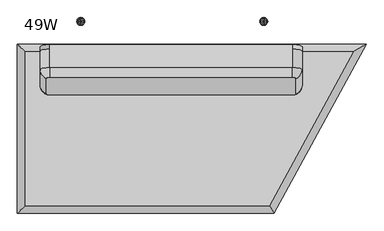
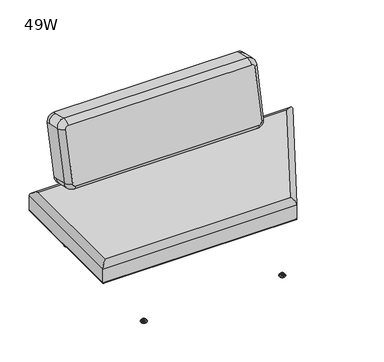
"""IFC4 building model written with IfcOpenShell, lengths in millimetres: furniture geometry, 49W."""

from ifc_helpers import new_model, si_unit, point, frame, origin, place, context, project, spatial, polyline, circle_curve, ellipse_curve, trimmed, outline, extrude, source, transform, mapped, element, save
from ifc_brep_helpers import plane_surface, cylinder_surface, revolved_surface, advanced_brep


def furniture_49w_bdb17a6c(model_context):
    return source(origin(), model_context, "Body", "SolidModel", [
        advanced_brep(
        [(116.7721752, -217.2921337, 767.8572736), (104.0721752, -220.1490121, 755.4827738), (104.0721752, -276.0967018, 513.1467057), (116.7721752, -278.9535802, 500.7722059), (992.8225, -278.9535802, 500.7722059), (1005.5225, -276.0967018, 513.1467057), (1005.5225, -220.1490121, 755.4827738), (992.8225, -217.2921337, 767.8572736), (116.7721752, -98.3553775, 763.566931), (992.8225, -98.3553775, 763.566931), (1028.0970673, -106.2904287, 729.1964486), (1028.0970673, -162.2381183, 486.8603805), (992.8225, -170.1731694, 452.4898981), (116.7721752, -170.1731694, 452.4898981), (81.4976079, -162.2381183, 486.8603805), (81.4976079, -106.2904287, 729.1964486), (116.7721752, -113.2061417, 766.9955001), (116.7721752, -179.8740623, 782.3870023), (992.8225, -179.8740623, 782.3870023), (992.8225, -113.2061417, 766.9955001), (1028.0970673, -121.1411928, 732.6250176), (1028.0970673, -187.8091134, 748.0165199), (1028.0970673, -243.7568031, 505.6804518), (1028.0970673, -177.0888824, 490.2889496), (992.8225, -185.0239336, 455.9184671), (992.8225, -251.6918542, 471.3099694), (116.7721752, -251.6918542, 471.3099694), (116.7721752, -185.0239336, 455.9184671), (81.4976079, -177.0888824, 490.2889496), (81.4976079, -243.7568031, 505.6804518), (81.4976079, -187.8091134, 748.0165199), (81.4976079, -121.1411928, 732.6250176)],
        [
            (0, 1, circle_curve(frame((116.7721752, -220.1490121, 755.4827738), z_axis=(0.0, -0.9743700647852357, 0.22495105434386325), x_axis=(0.0, 0.22495105434386325, 0.9743700647852357)), 12.7)),
            (1, 2),
            (2, 3, circle_curve(frame((116.7721752, -276.0967018, 513.1467057), z_axis=(0.0, -0.9743700647852357, 0.22495105434386325), x_axis=(-1.0000000000000002, 0.0, 0.0)), 12.7)),
            (3, 4),
            (4, 5, circle_curve(frame((992.8225, -276.0967018, 513.1467057), z_axis=(0.0, -0.9743700647852357, 0.22495105434386325), x_axis=(0.0, -0.22495105434386325, -0.9743700647852357)), 12.7)),
            (5, 6),
            (6, 7, circle_curve(frame((992.8225, -220.1490121, 755.4827738), z_axis=(0.0, -0.9743700647852357, 0.22495105434386325), x_axis=(1.0, 0.0, 0.0)), 12.7)),
            (7, 0),
            (8, 9),
            (9, 10, circle_curve(frame((992.8225, -106.2904287, 729.1964486), z_axis=(0.0, 0.9743700647852357, -0.22495105434386348), x_axis=(-1.0, 0.0, 0.0)), 35.2745673)),
            (10, 11),
            (11, 12, circle_curve(frame((992.8225, -162.2381183, 486.8603805), z_axis=(0.0, 0.9743700647852357, -0.22495105434386348), x_axis=(-1.0, 0.0, 0.0)), 35.2745673)),
            (12, 13),
            (13, 14, circle_curve(frame((116.7721752, -162.2381183, 486.8603805), z_axis=(0.0, 0.9743700647852356, -0.22495105434386348), x_axis=(-1.0, 0.0, 0.0)), 35.2745673)),
            (14, 15),
            (15, 8, circle_curve(frame((116.7721752, -106.2904287, 729.1964486), z_axis=(0.0, 0.9743700647852356, -0.22495105434386348), x_axis=(-1.0, 0.0, 0.0)), 35.2745673)),
            (8, 16),
            (16, 17),
            (17, 18),
            (18, 19),
            (19, 9),
            (19, 20, circle_curve(frame((992.8225, -121.1411928, 732.6250176), z_axis=(0.0, 0.9743700647852357, -0.22495105434386348), x_axis=(-1.0, 0.0, 0.0)), 35.2745673)),
            (20, 10),
            (20, 21),
            (21, 22),
            (22, 23),
            (23, 11),
            (23, 24, circle_curve(frame((992.8225, -177.0888824, 490.2889496), z_axis=(0.0, 0.9743700647852357, -0.22495105434386348), x_axis=(-1.0, 0.0, 0.0)), 35.2745673)),
            (24, 12),
            (24, 25),
            (25, 26),
            (26, 27),
            (27, 13),
            (27, 28, circle_curve(frame((116.7721752, -177.0888824, 490.2889496), z_axis=(0.0, 0.9743700647852356, -0.22495105434386348), x_axis=(-1.0, 0.0, 0.0)), 35.2745673)),
            (28, 14),
            (28, 29),
            (29, 30),
            (30, 31),
            (31, 15),
            (31, 16, circle_curve(frame((116.7721752, -121.1411928, 732.6250176), z_axis=(0.0, 0.9743700647852356, -0.22495105434386348), x_axis=(-1.0, 0.0, 0.0)), 35.2745673)),
            (30, 17, circle_curve(frame((116.7721752, -187.8091134, 748.0165199), z_axis=(0.0, 0.9743700647852357, -0.22495105434386325), x_axis=(0.0, 0.22495105434386325, 0.9743700647852357)), 35.2745673)),
            (26, 29, circle_curve(frame((116.7721752, -243.7568031, 505.6804518), z_axis=(0.0, 0.9743700647852357, -0.22495105434386325), x_axis=(-1.0000000000000002, 0.0, 0.0)), 35.2745673)),
            (22, 25, circle_curve(frame((992.8225, -243.7568031, 505.6804518), z_axis=(0.0, 0.9743700647852357, -0.22495105434386325), x_axis=(0.0, -0.22495105434386325, -0.9743700647852357)), 35.2745673)),
            (18, 21, circle_curve(frame((992.8225, -187.8091134, 748.0165199), z_axis=(0.0, 0.9743700647852357, -0.22495105434386325), x_axis=(1.0, 0.0, 0.0)), 35.2745673)),
            (30, 1, circle_curve(frame((117.1843403, -187.8091134, 748.0165199), z_axis=(0.0, 0.2249510543438633, 0.9743700647852357), x_axis=(1.0000000000000004, 0.0, 0.0)), 35.6867324)),
            (0, 17, circle_curve(frame((116.7721752, -187.9018304, 747.6149186), z_axis=(-1.0000000000000004, 0.0, 0.0), x_axis=(0.0, -0.22495105434386323, -0.9743700647852357)), 35.6867324)),
            (29, 2, circle_curve(frame((117.1843403, -243.7568031, 505.6804518), z_axis=(0.0, 0.22495105434386328, 0.9743700647852358), x_axis=(1.0, 0.0, 0.0)), 35.6867324)),
            (26, 3, circle_curve(frame((116.7721752, -243.6640861, 506.0820531), z_axis=(-1.0000000000000002, 0.0, 0.0), x_axis=(0.0, 0.22495105434386342, 0.9743700647852361)), 35.6867324)),
            (25, 4, circle_curve(frame((992.8225, -243.6640861, 506.0820531), z_axis=(-1.0, 0.0, 0.0), x_axis=(0.0, 0.22495105434386334, 0.9743700647852357)), 35.6867324)),
            (22, 5, circle_curve(frame((992.4103349, -243.7568031, 505.6804518), z_axis=(0.0, -0.22495105434386314, -0.9743700647852357), x_axis=(-1.0000000000000002, 0.0, 0.0)), 35.6867324)),
            (21, 6, circle_curve(frame((992.4103349, -187.8091134, 748.0165199), z_axis=(0.0, -0.2249510543438631, -0.9743700647852358), x_axis=(-1.0, 0.0, 0.0)), 35.6867324)),
            (18, 7, circle_curve(frame((992.8225, -187.9018304, 747.6149186), z_axis=(1.0, 0.0, 0.0), x_axis=(0.0, -0.22495105434386317, -0.9743700647852357)), 35.6867324)),
        ],
        [
            plane_surface(frame((992.8225, -217.2921337, 767.8572736), z_axis=(0.0, -0.9743700647852357, 0.22495105434386348), x_axis=(-1.0, 0.0, 0.0))),
            plane_surface(frame((992.8225, -98.3553775, 763.566931), z_axis=(0.0, 0.9743700647852357, -0.22495105434386348), x_axis=(1.0, 0.0, 0.0))),
            plane_surface(frame((116.7721752, -98.3553775, 763.566931), z_axis=(0.0, 0.22495105434386667, 0.9743700647852349), x_axis=(0.0, -0.9743700647852349, 0.22495105434386667))),
            cylinder_surface(frame((992.8225, -121.1411928, 732.6250176), z_axis=(0.0, 0.9743700647852357, -0.22495105434386348), x_axis=(-1.0, 0.0, 0.0)), 35.2745673),
            plane_surface(frame((1028.0970673, -106.2904287, 729.1964486), z_axis=(1.0, 0.0, 0.0), x_axis=(0.0, -0.9743700647852349, 0.22495105434386667))),
            cylinder_surface(frame((992.8225, -177.0888824, 490.2889496), z_axis=(0.0, 0.9743700647852357, -0.22495105434386348), x_axis=(-1.0, 0.0, 0.0)), 35.2745673),
            plane_surface(frame((992.8225, -170.1731694, 452.4898981), z_axis=(0.0, -0.2249510543438627, -0.9743700647852358), x_axis=(0.0, -0.9743700647852358, 0.2249510543438627))),
            cylinder_surface(frame((116.7721752, -177.0888824, 490.2889496), z_axis=(0.0, 0.9743700647852356, -0.22495105434386348), x_axis=(-1.0, 0.0, 0.0)), 35.2745673),
            plane_surface(frame((81.4976079, -162.2381183, 486.8603805), z_axis=(-1.0, 0.0, 0.0), x_axis=(0.0, -0.9743700647852359, 0.2249510543438622))),
            cylinder_surface(frame((116.7721752, -121.1411928, 732.6250176), z_axis=(0.0, 0.9743700647852356, -0.22495105434386348), x_axis=(-1.0, 0.0, 0.0)), 35.2745673),
            cylinder_surface(frame((116.7721752, -220.1490121, 755.4827738), z_axis=(0.0, -0.9743700647852359, 0.2249510543438633), x_axis=(0.0, 0.22495105434386325, 0.9743700647852357)), 35.2745673),
            cylinder_surface(frame((116.7721752, -276.0967018, 513.1467057), z_axis=(0.0, -0.9743700647852359, 0.2249510543438633), x_axis=(-1.0000000000000002, 0.0, 0.0)), 35.2745673),
            cylinder_surface(frame((992.8225, -276.0967018, 513.1467057), z_axis=(0.0, -0.9743700647852357, 0.22495105434386325), x_axis=(0.0, -0.22495105434386325, -0.9743700647852357)), 35.2745673),
            cylinder_surface(frame((992.8225, -220.1490121, 755.4827738), z_axis=(0.0, -0.9743700647852357, 0.22495105434386325), x_axis=(1.0, 0.0, 0.0)), 35.2745673),
            revolved_surface(trimmed(ellipse_curve(frame((116.7721752, -187.9018304, 747.6149186), z_axis=(1.0000000000000004, 0.0, 0.0), x_axis=(0.0, -0.22495105434386323, -0.9743700647852357)), 35.6867324, 35.6867324), [point((116.7721752, -179.8740623, 782.3870023))], [point((116.7721752, -217.2921337, 767.8572736))], True, "CARTESIAN"), (116.7721752, -220.1490121, 755.4827738), (0.0, -0.9743700647852359, 0.2249510543438633)),
            cylinder_surface(frame((117.1843403, -187.8091134, 748.0165199), z_axis=(0.0, 0.22495105434386323, 0.9743700647852356), x_axis=(1.0, 0.0, 0.0)), 35.6867324),
            revolved_surface(trimmed(ellipse_curve(frame((117.1843403, -243.7568031, 505.6804518), z_axis=(0.0, 0.22495105434386323, 0.9743700647852361), x_axis=(1.0000000000000002, 0.0, 0.0)), 35.6867324, 35.6867324), [point((81.4976079, -243.7568031, 505.6804518))], [point((104.0721752, -276.0967018, 513.1467057))], True, "CARTESIAN"), (116.7721752, -276.0967018, 513.1467057), (0.0, -0.9743700647852359, 0.2249510543438633)),
            cylinder_surface(frame((116.7721752, -243.6640861, 506.0820531), z_axis=(-1.0000000000000002, 0.0, 0.0), x_axis=(0.0, 0.22495105434386334, 0.9743700647852357)), 35.6867324),
            revolved_surface(trimmed(ellipse_curve(frame((992.8225, -243.6640861, 506.0820531), z_axis=(-1.0000000000000002, 0.0, 0.0), x_axis=(0.0, 0.22495105434386334, 0.9743700647852357)), 35.6867324, 35.6867324), [point((992.8225, -251.6918542, 471.3099694))], [point((992.8225, -278.9535802, 500.7722059))], True, "CARTESIAN"), (992.8225, -276.0967018, 513.1467057), (0.0, -0.9743700647852357, 0.22495105434386325)),
            cylinder_surface(frame((992.4103349, -243.7568031, 505.6804518), z_axis=(0.0, -0.2249510543438631, -0.9743700647852358), x_axis=(-1.0, 0.0, 0.0)), 35.6867324),
            revolved_surface(trimmed(ellipse_curve(frame((992.4103349, -187.8091134, 748.0165199), z_axis=(0.0, -0.22495105434386312, -0.9743700647852357), x_axis=(-1.0, 0.0, 0.0)), 35.6867324, 35.6867324), [point((1028.0970673, -187.8091134, 748.0165199))], [point((1005.5225, -220.1490121, 755.4827738))], True, "CARTESIAN"), (992.8225, -220.1490121, 755.4827738), (0.0, -0.9743700647852357, 0.22495105434386325)),
            cylinder_surface(frame((992.8225, -187.9018304, 747.6149186), z_axis=(1.0000000000000002, 0.0, 0.0), x_axis=(0.0, -0.22495105434386317, -0.9743700647852357)), 35.6867324),
        ],
        [
            (0, [[1, 2, 3, 4, 5, 6, 7, 8]]),
            (1, [[9, 10, 11, 12, 13, 14, 15, 16]]),
            (2, [[-9, 17, 18, 19, 20, 21]]),
            (3, [[-10, -21, 22, 23]]),
            (4, [[-11, -23, 24, 25, 26, 27]]),
            (5, [[-12, -27, 28, 29]]),
            (6, [[-13, -29, 30, 31, 32, 33]]),
            (7, [[-14, -33, 34, 35]]),
            (8, [[-15, -35, 36, 37, 38, 39]]),
            (9, [[-16, -39, 40, -17]]),
            (10, [[41, -18, -40, -38]]),
            (11, [[-36, -34, -32, 42]]),
            (12, [[-30, -28, -26, 43]]),
            (13, [[-24, -22, -20, 44]]),
            (14, [[-41, 45, -1, 46]]),
            (15, [[-37, 47, -2, -45]]),
            (16, [[-42, 48, -3, -47]]),
            (17, [[-31, 49, -4, -48]]),
            (18, [[-43, 50, -5, -49]]),
            (19, [[-25, 51, -6, -50]]),
            (20, [[-44, 52, -7, -51]]),
            (21, [[-19, -46, -8, -52]]),
        ],
    ),
        advanced_brep(
        [(27.2635975, -123.7984512, 405.8895176), (27.2635975, -678.8688097, 405.8895176), (910.1596882, -678.8688097, 405.8895176), (1212.6876051, -123.7984512, 405.8895176), (6.3491764, -699.7832308, 304.2919641), (6.3491764, -102.8840302, 304.2919641), (1247.9055843, -102.8840302, 304.2919641), (922.5798503, -699.7832308, 304.2919641), (-0.0008236, -96.5340302, 310.6419641), (-0.0008236, -706.1332308, 310.6419641), (-0.0008236, -706.1332308, 379.4503267), (-0.0008236, -96.5340302, 379.4503267), (926.3508382, -706.1332308, 310.6419641), (926.3508382, -706.1332308, 379.4503267), (1258.5984056, -96.5340302, 310.6419641), (1258.5984056, -96.5340302, 379.4503267)],
        [
            (0, 1),
            (1, 2),
            (2, 3),
            (3, 0),
            (4, 5),
            (5, 6),
            (6, 7),
            (7, 4),
            (8, 5, ellipse_curve(frame((6.3491764, -102.8840302, 310.6419641), z_axis=(-0.7071067811865485, -0.7071067811865465, 0.0), x_axis=(-0.7071067811865464, 0.7071067811865487, 0.0)), 8.9802561, 6.35)),
            (4, 9, ellipse_curve(frame((6.3491764, -699.7832308, 310.6419641), z_axis=(-0.7071067811865466, 0.7071067811865485, 0.0), x_axis=(0.7071067811865483, 0.7071067811865466, 0.0)), 8.9802561, 6.35)),
            (9, 8),
            (9, 10),
            (10, 11),
            (11, 8),
            (10, 1, ellipse_curve(frame((26.4508562, -679.681551, 379.4503267), z_axis=(-0.7071067811865466, 0.7071067811865485, 0.0), x_axis=(0.7071067811865483, 0.7071067811865466, 0.0)), 37.4083243, 26.4516798)),
            (0, 11, ellipse_curve(frame((26.4508562, -122.98571, 379.4503267), z_axis=(-0.7071067811865485, -0.7071067811865465, 0.0), x_axis=(-0.7071067811865464, 0.7071067811865487, 0.0)), 37.4083243, 26.4516798)),
            (7, 12, ellipse_curve(frame((922.5798503, -699.7832308, 310.6419641), z_axis=(-0.859814593718969, -0.5106063693569485, 0.0), x_axis=(-0.5106063693569483, 0.8598145937189691, 0.0)), 7.3853131, 6.35)),
            (12, 9),
            (12, 13),
            (13, 10),
            (13, 2, ellipse_curve(frame((910.6423398, -679.681551, 379.4503267), z_axis=(-0.859814593718969, -0.5106063693569485, 0.0), x_axis=(-0.5106063693569483, 0.8598145937189691, 0.0)), 30.7643997, 26.4516798)),
            (6, 14, ellipse_curve(frame((1247.9055843, -102.8840302, 310.6419641), z_axis=(0.5106063693569484, -0.859814593718969, 0.0), x_axis=(-0.859814593718969, -0.5106063693569484, 0.0)), 12.4361943, 6.35)),
            (14, 12),
            (14, 15),
            (15, 13),
            (15, 3, ellipse_curve(frame((1214.0561873, -122.98571, 379.4503267), z_axis=(0.5106063693569484, -0.859814593718969, 0.0), x_axis=(-0.859814593718969, -0.5106063693569484, 0.0)), 51.8044455, 26.4516798)),
            (8, 14),
            (11, 15),
        ],
        [
            plane_surface(frame((910.1596882, -678.8688097, 405.8895176), z_axis=(0.0, 0.0, 1.0), x_axis=(1.0, 0.0, 0.0))),
            plane_surface(frame((910.1596882, -678.8688097, 304.2919641), z_axis=(0.0, 0.0, -1.0), x_axis=(-1.0, 0.0, 0.0))),
            cylinder_surface(frame((6.3491764, -123.7984512, 310.6419641), z_axis=(0.0, 1.0, 0.0), x_axis=(1.0, 0.0, 0.0)), 6.35),
            plane_surface(frame((-0.0008236, -96.5340302, 310.6419641), z_axis=(-1.0, 0.0, 0.0), x_axis=(0.0, -1.0, 0.0))),
            cylinder_surface(frame((26.4508562, -123.7984512, 379.4503267), z_axis=(0.0, 1.0, 0.0), x_axis=(1.0, 0.0, 0.0)), 26.4516798),
            cylinder_surface(frame((27.2635975, -699.7832308, 310.6419641), z_axis=(-1.0, 0.0, 0.0), x_axis=(0.0, 1.0, 0.0)), 6.35),
            plane_surface(frame((-0.0008236, -706.1332308, 310.6419641), z_axis=(0.0, -1.0, 0.0), x_axis=(1.0, 0.0, 0.0))),
            cylinder_surface(frame((27.2635975, -679.681551, 379.4503267), z_axis=(-1.0, 0.0, 0.0), x_axis=(0.0, 1.0, 0.0)), 26.4516798),
            cylinder_surface(frame((928.5236713, -688.8776626, 310.6419641), z_axis=(-0.47856227114423067, -0.8780536160379251, 0.0), x_axis=(-0.8780536160379251, 0.47856227114423067, 0.0)), 6.35),
            plane_surface(frame((926.3508382, -706.1332308, 310.6419641), z_axis=(0.8780536160379253, -0.47856227114423017, 0.0), x_axis=(0.47856227114423017, 0.8780536160379253, 0.0))),
            cylinder_surface(frame((910.8733186, -679.257757, 379.4503267), z_axis=(-0.47856227114423067, -0.8780536160379251, 0.0), x_axis=(-0.8780536160379251, 0.47856227114423067, 0.0)), 26.4516798),
            cylinder_surface(frame((1212.6876051, -102.8840302, 310.6419641), z_axis=(1.0, 0.0, 0.0), x_axis=(0.0, -1.0, 0.0)), 6.35),
            plane_surface(frame((1258.5984056, -96.5340302, 310.6419641), z_axis=(0.0, 1.0, 0.0), x_axis=(-1.0, 0.0, 0.0))),
            cylinder_surface(frame((1212.6876051, -122.98571, 379.4503267), z_axis=(1.0, 0.0, 0.0), x_axis=(0.0, -1.0, 0.0)), 26.4516798),
        ],
        [
            (0, [[1, 2, 3, 4]]),
            (1, [[5, 6, 7, 8]]),
            (2, [[9, -5, 10, 11]]),
            (3, [[-11, 12, 13, 14]]),
            (4, [[-13, 15, -1, 16]]),
            (5, [[-10, -8, 17, 18]]),
            (6, [[-12, -18, 19, 20]]),
            (7, [[-15, -20, 21, -2]]),
            (8, [[-17, -7, 22, 23]]),
            (9, [[-19, -23, 24, 25]]),
            (10, [[-21, -25, 26, -3]]),
            (11, [[-9, 27, -22, -6]]),
            (12, [[-14, 28, -24, -27]]),
            (13, [[-16, -4, -26, -28]]),
        ],
    ),
        advanced_brep(
        [(889.0, -645.9431587, 14.8752118), (889.0, -652.5665699, 14.8752118), (889.0, -649.2548643, 14.8752118), (889.0, -645.3562211, 13.858606), (889.0, -653.1535076, 13.858606), (889.0, -641.3242474, 11.2402116), (889.0, -657.1854813, 11.2402116), (889.0, -641.3242474, 8.74896), (889.0, -657.1854813, 8.74896), (889.0, -642.9059165, 8.74896), (889.0, -655.6038121, 8.74896), (889.0, -638.0462975, 5.9432577), (889.0, -660.4634312, 5.9432577), (889.0, -634.8556417, 3.5556814), (889.0, -663.6540869, 3.5556814), (889.0, -636.908533, 0.0), (889.0, -661.6011957, 0.0), (889.0, -649.2548643, 0.0)],
        [
            (0, 1, circle_curve(frame((889.0, -649.2548643, 14.8752118), z_axis=(0.0, 0.0, 1.0), x_axis=(0.0, -1.0, 0.0)), 3.3117056)),
            (1, 2),
            (2, 0),
            (1, 0, circle_curve(frame((889.0, -649.2548643, 14.8752118), z_axis=(0.0, 0.0, 1.0), x_axis=(0.0, -1.0, 0.0)), 3.3117056)),
            (3, 4, circle_curve(frame((889.0, -649.2548643, 13.858606), z_axis=(0.0, 0.0, 1.0), x_axis=(0.0, -1.0, 0.0)), 3.8986433)),
            (4, 1),
            (0, 3),
            (4, 3, circle_curve(frame((889.0, -649.2548643, 13.858606), z_axis=(0.0, 0.0, 1.0), x_axis=(0.0, -1.0, 0.0)), 3.8986433)),
            (5, 6, circle_curve(frame((889.0, -649.2548643, 11.2402116), z_axis=(0.0, 0.0, 1.0), x_axis=(0.0, -1.0, 0.0)), 7.930617)),
            (6, 4),
            (3, 5),
            (6, 5, circle_curve(frame((889.0, -649.2548643, 11.2402116), z_axis=(0.0, 0.0, 1.0), x_axis=(0.0, -1.0, 0.0)), 7.930617)),
            (7, 8, circle_curve(frame((889.0, -649.2548643, 8.74896), z_axis=(0.0, 0.0, 1.0), x_axis=(0.0, -1.0, 0.0)), 7.930617)),
            (8, 6),
            (5, 7),
            (8, 7, circle_curve(frame((889.0, -649.2548643, 8.74896), z_axis=(0.0, 0.0, 1.0), x_axis=(0.0, -1.0, 0.0)), 7.930617)),
            (9, 10, circle_curve(frame((889.0, -649.2548643, 8.74896), z_axis=(0.0, 0.0, 1.0), x_axis=(0.0, -1.0, 0.0)), 6.3489478)),
            (10, 8),
            (7, 9),
            (10, 9, circle_curve(frame((889.0, -649.2548643, 8.74896), z_axis=(0.0, 0.0, 1.0), x_axis=(0.0, -1.0, 0.0)), 6.3489478)),
            (11, 12, circle_curve(frame((889.0, -649.2548643, 5.9432577), z_axis=(0.0, 0.0, 1.0), x_axis=(0.0, -1.0, 0.0)), 11.2085669)),
            (12, 10, circle_curve(frame((889.0, -660.1160571, 10.9529929), z_axis=(1.0, 0.0, 0.0), x_axis=(0.0, -1.0, 0.0)), 5.0217642)),
            (9, 11, circle_curve(frame((889.0, -638.3936715, 10.9529929), z_axis=(1.0, 0.0, 0.0), x_axis=(0.0, 1.0, 0.0)), 5.0217642)),
            (12, 11, circle_curve(frame((889.0, -649.2548643, 5.9432577), z_axis=(0.0, 0.0, 1.0), x_axis=(0.0, -1.0, 0.0)), 11.2085669)),
            (13, 14, circle_curve(frame((889.0, -649.2548643, 3.5556814), z_axis=(0.0, 0.0, 1.0), x_axis=(0.0, -1.0, 0.0)), 14.3992226)),
            (14, 12, circle_curve(frame((889.0, -660.6744794, 2.8995769), z_axis=(-1.0, 0.0, 0.0), x_axis=(0.0, -1.0, 0.0)), 3.050989)),
            (11, 13, circle_curve(frame((889.0, -637.8352492, 2.8995769), z_axis=(-1.0, 0.0, 0.0), x_axis=(0.0, 1.0, 0.0)), 3.050989)),
            (14, 13, circle_curve(frame((889.0, -649.2548643, 3.5556814), z_axis=(0.0, 0.0, 1.0), x_axis=(0.0, -1.0, 0.0)), 14.3992226)),
            (15, 16, circle_curve(frame((889.0, -649.2548643, 0.0), z_axis=(0.0, 0.0, 1.0), x_axis=(0.0, -1.0, 0.0)), 12.3463313)),
            (16, 14),
            (13, 15),
            (16, 15, circle_curve(frame((889.0, -649.2548643, 0.0), z_axis=(0.0, 0.0, 1.0), x_axis=(0.0, -1.0, 0.0)), 12.3463313)),
            (17, 16),
            (15, 17),
        ],
        [
            plane_surface(frame((889.0, -649.2548643, 14.8752118), z_axis=(0.0, 0.0, 1.0), x_axis=(0.0, -1.0, 0.0))),
            revolved_surface(polyline([(889.0, -652.5665699, 14.8752118), (889.0, -653.1535076, 13.858606)]), (889.0, -649.2548643, 0.0), (0.0, 0.0, -1.0)),
            revolved_surface(polyline([(889.0, -653.1535076, 13.858606), (889.0, -657.1854813, 11.2402116)]), (889.0, -649.2548643, 0.0), (0.0, 0.0, -1.0)),
            cylinder_surface(frame((889.0, -649.2548643, 0.0), z_axis=(0.0, 0.0, -1.0), x_axis=(0.0, -1.0, 0.0)), 7.930617),
            plane_surface(frame((889.0, -649.2548643, 8.74896), z_axis=(0.0, 0.0, -1.0), x_axis=(0.0, -1.0, 0.0))),
            revolved_surface(trimmed(ellipse_curve(frame((889.0, -660.1160571, 10.9529929), z_axis=(-1.0, 0.0, 0.0), x_axis=(0.0, -1.0, 0.0)), 5.0217642, 5.0217642), [point((889.0, -655.6038121, 8.74896))], [point((889.0, -660.4634312, 5.9432577))], True, "CARTESIAN"), (889.0, -649.2548643, 0.0), (0.0, 0.0, -1.0)),
            revolved_surface(trimmed(ellipse_curve(frame((889.0, -660.6744794, 2.8995769), z_axis=(1.0, 0.0, 0.0), x_axis=(0.0, -1.0, 0.0)), 3.050989, 3.050989), [point((889.0, -660.4634312, 5.9432577))], [point((889.0, -663.6540869, 3.5556814))], True, "CARTESIAN"), (889.0, -649.2548643, 0.0), (0.0, 0.0, -1.0)),
            revolved_surface(polyline([(889.0, -663.6540869, 3.5556814), (889.0, -661.6011957, 0.0)]), (889.0, -649.2548643, 0.0), (0.0, 0.0, -1.0)),
            plane_surface(frame((889.0, -649.2548643, 0.0), z_axis=(0.0, 0.0, -1.0), x_axis=(0.0, -1.0, 0.0))),
        ],
        [
            (0, [[1, 2, 3]]),
            (0, [[4, -3, -2]]),
            (1, [[5, 6, -1, 7]]),
            (1, [[8, -7, -4, -6]]),
            (2, [[9, 10, -5, 11]]),
            (2, [[12, -11, -8, -10]]),
            (3, [[13, 14, -9, 15]]),
            (3, [[16, -15, -12, -14]]),
            (4, [[17, 18, -13, 19]]),
            (4, [[20, -19, -16, -18]]),
            (5, [[21, 22, -17, 23]]),
            (5, [[24, -23, -20, -22]]),
            (6, [[25, 26, -21, 27]]),
            (6, [[28, -27, -24, -26]]),
            (7, [[29, 30, -25, 31]]),
            (7, [[32, -31, -28, -30]]),
            (8, [[33, -29, 34]]),
            (8, [[-34, -32, -33]]),
        ],
    ),
        advanced_brep(
        [(889.0, -14.3992226, 14.8752118), (889.0, -11.087517, 14.8752118), (889.0, -17.7109282, 14.8752118), (889.0, -10.5005793, 13.858606), (889.0, -18.2978659, 13.858606), (889.0, -6.4686056, 11.2402116), (889.0, -22.3298395, 11.2402116), (889.0, -6.4686056, 8.74896), (889.0, -22.3298395, 8.74896), (889.0, -8.0502748, 8.74896), (889.0, -20.7481704, 8.74896), (889.0, -3.1906557, 5.9432577), (889.0, -25.6077895, 5.9432577), (889.0, 0.0, 3.5556814), (889.0, -28.7984452, 3.5556814), (889.0, -2.0528912, 0.0), (889.0, -26.7455539, 0.0), (889.0, -14.3992226, 0.0)],
        [
            (0, 1),
            (1, 2, circle_curve(frame((889.0, -14.3992226, 14.8752118), z_axis=(0.0, 0.0, 1.0), x_axis=(0.0, 1.0, 0.0)), 3.3117056)),
            (2, 0),
            (2, 1, circle_curve(frame((889.0, -14.3992226, 14.8752118), z_axis=(0.0, 0.0, 1.0), x_axis=(0.0, 1.0, 0.0)), 3.3117056)),
            (1, 3),
            (3, 4, circle_curve(frame((889.0, -14.3992226, 13.858606), z_axis=(0.0, 0.0, 1.0), x_axis=(0.0, 1.0, 0.0)), 3.8986433)),
            (4, 2),
            (4, 3, circle_curve(frame((889.0, -14.3992226, 13.858606), z_axis=(0.0, 0.0, 1.0), x_axis=(0.0, 1.0, 0.0)), 3.8986433)),
            (3, 5),
            (5, 6, circle_curve(frame((889.0, -14.3992226, 11.2402116), z_axis=(0.0, 0.0, 1.0), x_axis=(0.0, 1.0, 0.0)), 7.930617)),
            (6, 4),
            (6, 5, circle_curve(frame((889.0, -14.3992226, 11.2402116), z_axis=(0.0, 0.0, 1.0), x_axis=(0.0, 1.0, 0.0)), 7.930617)),
            (5, 7),
            (7, 8, circle_curve(frame((889.0, -14.3992226, 8.74896), z_axis=(0.0, 0.0, 1.0), x_axis=(0.0, 1.0, 0.0)), 7.930617)),
            (8, 6),
            (8, 7, circle_curve(frame((889.0, -14.3992226, 8.74896), z_axis=(0.0, 0.0, 1.0), x_axis=(0.0, 1.0, 0.0)), 7.930617)),
            (7, 9),
            (9, 10, circle_curve(frame((889.0, -14.3992226, 8.74896), z_axis=(0.0, 0.0, 1.0), x_axis=(0.0, 1.0, 0.0)), 6.3489478)),
            (10, 8),
            (10, 9, circle_curve(frame((889.0, -14.3992226, 8.74896), z_axis=(0.0, 0.0, 1.0), x_axis=(0.0, 1.0, 0.0)), 6.3489478)),
            (9, 11, circle_curve(frame((889.0, -3.5380298, 10.9529929), z_axis=(1.0, 0.0, 0.0), x_axis=(0.0, -1.0, 0.0)), 5.0217642)),
            (11, 12, circle_curve(frame((889.0, -14.3992226, 5.9432577), z_axis=(0.0, 0.0, 1.0), x_axis=(0.0, 1.0, 0.0)), 11.2085669)),
            (12, 10, circle_curve(frame((889.0, -25.2604154, 10.9529929), z_axis=(1.0, 0.0, 0.0), x_axis=(0.0, 1.0, 0.0)), 5.0217642)),
            (12, 11, circle_curve(frame((889.0, -14.3992226, 5.9432577), z_axis=(0.0, 0.0, 1.0), x_axis=(0.0, 1.0, 0.0)), 11.2085669)),
            (11, 13, circle_curve(frame((889.0, -2.9796075, 2.8995769), z_axis=(-1.0, 0.0, 0.0), x_axis=(0.0, -1.0, 0.0)), 3.050989)),
            (13, 14, circle_curve(frame((889.0, -14.3992226, 3.5556814), z_axis=(0.0, 0.0, 1.0), x_axis=(0.0, 1.0, 0.0)), 14.3992226)),
            (14, 12, circle_curve(frame((889.0, -25.8188377, 2.8995769), z_axis=(-1.0, 0.0, 0.0), x_axis=(0.0, 1.0, 0.0)), 3.050989)),
            (14, 13, circle_curve(frame((889.0, -14.3992226, 3.5556814), z_axis=(0.0, 0.0, 1.0), x_axis=(0.0, 1.0, 0.0)), 14.3992226)),
            (13, 15),
            (15, 16, circle_curve(frame((889.0, -14.3992226, 0.0), z_axis=(0.0, 0.0, 1.0), x_axis=(0.0, 1.0, 0.0)), 12.3463313)),
            (16, 14),
            (16, 15, circle_curve(frame((889.0, -14.3992226, 0.0), z_axis=(0.0, 0.0, 1.0), x_axis=(0.0, 1.0, 0.0)), 12.3463313)),
            (15, 17),
            (17, 16),
        ],
        [
            plane_surface(frame((889.0, -14.3992226, 14.8752118), z_axis=(0.0, 0.0, 1.0), x_axis=(0.0, 1.0, 0.0))),
            revolved_surface(polyline([(889.0, -10.5005793, 13.858606), (889.0, -11.087517, 14.8752118)]), (889.0, -14.3992226, 0.0), (0.0, 0.0, 1.0)),
            revolved_surface(polyline([(889.0, -6.4686056, 11.2402116), (889.0, -10.5005793, 13.858606)]), (889.0, -14.3992226, 0.0), (0.0, 0.0, 1.0)),
            cylinder_surface(frame((889.0, -14.3992226, 0.0), z_axis=(0.0, 0.0, 1.0), x_axis=(0.0, 1.0, 0.0)), 7.930617),
            plane_surface(frame((889.0, -14.3992226, 8.74896), z_axis=(0.0, 0.0, -1.0), x_axis=(0.0, 1.0, 0.0))),
            revolved_surface(trimmed(ellipse_curve(frame((889.0, -3.5380298, 10.9529929), z_axis=(-1.0, 0.0, 0.0), x_axis=(0.0, -1.0, 0.0)), 5.0217642, 5.0217642), [point((889.0, -3.1906557, 5.9432577))], [point((889.0, -8.0502748, 8.74896))], True, "CARTESIAN"), (889.0, -14.3992226, 0.0), (0.0, 0.0, 1.0)),
            revolved_surface(trimmed(ellipse_curve(frame((889.0, -2.9796075, 2.8995769), z_axis=(1.0, 0.0, 0.0), x_axis=(0.0, -1.0, 0.0)), 3.050989, 3.050989), [point((889.0, 0.0, 3.5556814))], [point((889.0, -3.1906557, 5.9432577))], True, "CARTESIAN"), (889.0, -14.3992226, 0.0), (0.0, 0.0, 1.0)),
            revolved_surface(polyline([(889.0, -2.0528912, 0.0), (889.0, 0.0, 3.5556814)]), (889.0, -14.3992226, 0.0), (0.0, 0.0, 1.0)),
            plane_surface(frame((889.0, -14.3992226, 0.0), z_axis=(0.0, 0.0, -1.0), x_axis=(0.0, 1.0, 0.0))),
        ],
        [
            (0, [[1, 2, 3]]),
            (0, [[-3, 4, -1]]),
            (1, [[-2, 5, 6, 7]]),
            (1, [[-4, -7, 8, -5]]),
            (2, [[-6, 9, 10, 11]]),
            (2, [[-8, -11, 12, -9]]),
            (3, [[-10, 13, 14, 15]]),
            (3, [[-12, -15, 16, -13]]),
            (4, [[-14, 17, 18, 19]]),
            (4, [[-16, -19, 20, -17]]),
            (5, [[-18, 21, 22, 23]]),
            (5, [[-20, -23, 24, -21]]),
            (6, [[-22, 25, 26, 27]]),
            (6, [[-24, -27, 28, -25]]),
            (7, [[-26, 29, 30, 31]]),
            (7, [[-28, -31, 32, -29]]),
            (8, [[-30, 33, 34]]),
            (8, [[-32, -34, -33]]),
        ],
    ),
        advanced_brep(
        [(228.6, -649.2548643, 14.8752118), (228.6, -652.5665699, 14.8752118), (228.6, -645.9431587, 14.8752118), (228.6, -653.1535076, 13.858606), (228.6, -645.3562211, 13.858606), (228.6, -657.1854813, 11.2402116), (228.6, -641.3242474, 11.2402116), (228.6, -657.1854813, 8.74896), (228.6, -641.3242474, 8.74896), (228.6, -655.6038121, 8.74896), (228.6, -642.9059165, 8.74896), (228.6, -660.4634312, 5.9432577), (228.6, -638.0462975, 5.9432577), (228.6, -663.6540869, 3.5556814), (228.6, -634.8556417, 3.5556814), (228.6, -661.6011957, 0.0), (228.6, -636.908533, 0.0), (228.6, -649.2548643, 0.0)],
        [
            (0, 1),
            (1, 2, circle_curve(frame((228.6, -649.2548643, 14.8752118), z_axis=(0.0, 0.0, 1.0), x_axis=(0.0, -1.0, 0.0)), 3.3117056)),
            (2, 0),
            (2, 1, circle_curve(frame((228.6, -649.2548643, 14.8752118), z_axis=(0.0, 0.0, 1.0), x_axis=(0.0, -1.0, 0.0)), 3.3117056)),
            (1, 3),
            (3, 4, circle_curve(frame((228.6, -649.2548643, 13.858606), z_axis=(0.0, 0.0, 1.0), x_axis=(0.0, -1.0, 0.0)), 3.8986433)),
            (4, 2),
            (4, 3, circle_curve(frame((228.6, -649.2548643, 13.858606), z_axis=(0.0, 0.0, 1.0), x_axis=(0.0, -1.0, 0.0)), 3.8986433)),
            (3, 5),
            (5, 6, circle_curve(frame((228.6, -649.2548643, 11.2402116), z_axis=(0.0, 0.0, 1.0), x_axis=(0.0, -1.0, 0.0)), 7.930617)),
            (6, 4),
            (6, 5, circle_curve(frame((228.6, -649.2548643, 11.2402116), z_axis=(0.0, 0.0, 1.0), x_axis=(0.0, -1.0, 0.0)), 7.930617)),
            (5, 7),
            (7, 8, circle_curve(frame((228.6, -649.2548643, 8.74896), z_axis=(0.0, 0.0, 1.0), x_axis=(0.0, -1.0, 0.0)), 7.930617)),
            (8, 6),
            (8, 7, circle_curve(frame((228.6, -649.2548643, 8.74896), z_axis=(0.0, 0.0, 1.0), x_axis=(0.0, -1.0, 0.0)), 7.930617)),
            (7, 9),
            (9, 10, circle_curve(frame((228.6, -649.2548643, 8.74896), z_axis=(0.0, 0.0, 1.0), x_axis=(0.0, -1.0, 0.0)), 6.3489478)),
            (10, 8),
            (10, 9, circle_curve(frame((228.6, -649.2548643, 8.74896), z_axis=(0.0, 0.0, 1.0), x_axis=(0.0, -1.0, 0.0)), 6.3489478)),
            (9, 11, circle_curve(frame((228.6, -660.1160571, 10.9529929), z_axis=(-1.0, 0.0, 0.0), x_axis=(0.0, 1.0, 0.0)), 5.0217642)),
            (11, 12, circle_curve(frame((228.6, -649.2548643, 5.9432577), z_axis=(0.0, 0.0, 1.0), x_axis=(0.0, -1.0, 0.0)), 11.2085669)),
            (12, 10, circle_curve(frame((228.6, -638.3936715, 10.9529929), z_axis=(-1.0, 0.0, 0.0), x_axis=(0.0, -1.0, 0.0)), 5.0217642)),
            (12, 11, circle_curve(frame((228.6, -649.2548643, 5.9432577), z_axis=(0.0, 0.0, 1.0), x_axis=(0.0, -1.0, 0.0)), 11.2085669)),
            (11, 13, circle_curve(frame((228.6, -660.6744794, 2.8995769), z_axis=(1.0, 0.0, 0.0), x_axis=(0.0, 1.0, 0.0)), 3.050989)),
            (13, 14, circle_curve(frame((228.6, -649.2548643, 3.5556814), z_axis=(0.0, 0.0, 1.0), x_axis=(0.0, -1.0, 0.0)), 14.3992226)),
            (14, 12, circle_curve(frame((228.6, -637.8352492, 2.8995769), z_axis=(1.0, 0.0, 0.0), x_axis=(0.0, -1.0, 0.0)), 3.050989)),
            (14, 13, circle_curve(frame((228.6, -649.2548643, 3.5556814), z_axis=(0.0, 0.0, 1.0), x_axis=(0.0, -1.0, 0.0)), 14.3992226)),
            (13, 15),
            (15, 16, circle_curve(frame((228.6, -649.2548643, 0.0), z_axis=(0.0, 0.0, 1.0), x_axis=(0.0, -1.0, 0.0)), 12.3463313)),
            (16, 14),
            (16, 15, circle_curve(frame((228.6, -649.2548643, 0.0), z_axis=(0.0, 0.0, 1.0), x_axis=(0.0, -1.0, 0.0)), 12.3463313)),
            (15, 17),
            (17, 16),
        ],
        [
            plane_surface(frame((228.6, -649.2548643, 14.8752118), z_axis=(0.0, 0.0, 1.0), x_axis=(0.0, -1.0, 0.0))),
            revolved_surface(polyline([(228.6, -653.1535076, 13.858606), (228.6, -652.5665699, 14.8752118)]), (228.6, -649.2548643, 0.0), (0.0, 0.0, 1.0)),
            revolved_surface(polyline([(228.6, -657.1854813, 11.2402116), (228.6, -653.1535076, 13.858606)]), (228.6, -649.2548643, 0.0), (0.0, 0.0, 1.0)),
            cylinder_surface(frame((228.6, -649.2548643, 0.0), z_axis=(0.0, 0.0, 1.0), x_axis=(0.0, -1.0, 0.0)), 7.930617),
            plane_surface(frame((228.6, -649.2548643, 8.74896), z_axis=(0.0, 0.0, -1.0), x_axis=(0.0, -1.0, 0.0))),
            revolved_surface(trimmed(ellipse_curve(frame((228.6, -660.1160571, 10.9529929), z_axis=(1.0, 0.0, 0.0), x_axis=(0.0, 1.0, 0.0)), 5.0217642, 5.0217642), [point((228.6, -660.4634312, 5.9432577))], [point((228.6, -655.6038121, 8.74896))], True, "CARTESIAN"), (228.6, -649.2548643, 0.0), (0.0, 0.0, 1.0)),
            revolved_surface(trimmed(ellipse_curve(frame((228.6, -660.6744794, 2.8995769), z_axis=(-1.0, 0.0, 0.0), x_axis=(0.0, 1.0, 0.0)), 3.050989, 3.050989), [point((228.6, -663.6540869, 3.5556814))], [point((228.6, -660.4634312, 5.9432577))], True, "CARTESIAN"), (228.6, -649.2548643, 0.0), (0.0, 0.0, 1.0)),
            revolved_surface(polyline([(228.6, -661.6011957, 0.0), (228.6, -663.6540869, 3.5556814)]), (228.6, -649.2548643, 0.0), (0.0, 0.0, 1.0)),
            plane_surface(frame((228.6, -649.2548643, 0.0), z_axis=(0.0, 0.0, -1.0), x_axis=(0.0, -1.0, 0.0))),
        ],
        [
            (0, [[1, 2, 3]]),
            (0, [[-3, 4, -1]]),
            (1, [[-2, 5, 6, 7]]),
            (1, [[-4, -7, 8, -5]]),
            (2, [[-6, 9, 10, 11]]),
            (2, [[-8, -11, 12, -9]]),
            (3, [[-10, 13, 14, 15]]),
            (3, [[-12, -15, 16, -13]]),
            (4, [[-14, 17, 18, 19]]),
            (4, [[-16, -19, 20, -17]]),
            (5, [[-18, 21, 22, 23]]),
            (5, [[-20, -23, 24, -21]]),
            (6, [[-22, 25, 26, 27]]),
            (6, [[-24, -27, 28, -25]]),
            (7, [[-26, 29, 30, 31]]),
            (7, [[-28, -31, 32, -29]]),
            (8, [[-30, 33, 34]]),
            (8, [[-32, -34, -33]]),
        ],
    ),
        advanced_brep(
        [(228.6, -17.7109282, 14.8752118), (228.6, -11.087517, 14.8752118), (228.6, -14.3992226, 14.8752118), (228.6, -18.2978659, 13.858606), (228.6, -10.5005793, 13.858606), (228.6, -22.3298395, 11.2402116), (228.6, -6.4686056, 11.2402116), (228.6, -22.3298395, 8.74896), (228.6, -6.4686056, 8.74896), (228.6, -20.7481704, 8.74896), (228.6, -8.0502748, 8.74896), (228.6, -25.6077895, 5.9432577), (228.6, -3.1906557, 5.9432577), (228.6, -28.7984452, 3.5556814), (228.6, 0.0, 3.5556814), (228.6, -26.7455539, 0.0), (228.6, -2.0528912, 0.0), (228.6, -14.3992226, 0.0)],
        [
            (0, 1, circle_curve(frame((228.6, -14.3992226, 14.8752118), z_axis=(0.0, 0.0, 1.0), x_axis=(0.0, 1.0, 0.0)), 3.3117056)),
            (1, 2),
            (2, 0),
            (1, 0, circle_curve(frame((228.6, -14.3992226, 14.8752118), z_axis=(0.0, 0.0, 1.0), x_axis=(0.0, 1.0, 0.0)), 3.3117056)),
            (3, 4, circle_curve(frame((228.6, -14.3992226, 13.858606), z_axis=(0.0, 0.0, 1.0), x_axis=(0.0, 1.0, 0.0)), 3.8986433)),
            (4, 1),
            (0, 3),
            (4, 3, circle_curve(frame((228.6, -14.3992226, 13.858606), z_axis=(0.0, 0.0, 1.0), x_axis=(0.0, 1.0, 0.0)), 3.8986433)),
            (5, 6, circle_curve(frame((228.6, -14.3992226, 11.2402116), z_axis=(0.0, 0.0, 1.0), x_axis=(0.0, 1.0, 0.0)), 7.930617)),
            (6, 4),
            (3, 5),
            (6, 5, circle_curve(frame((228.6, -14.3992226, 11.2402116), z_axis=(0.0, 0.0, 1.0), x_axis=(0.0, 1.0, 0.0)), 7.930617)),
            (7, 8, circle_curve(frame((228.6, -14.3992226, 8.74896), z_axis=(0.0, 0.0, 1.0), x_axis=(0.0, 1.0, 0.0)), 7.930617)),
            (8, 6),
            (5, 7),
            (8, 7, circle_curve(frame((228.6, -14.3992226, 8.74896), z_axis=(0.0, 0.0, 1.0), x_axis=(0.0, 1.0, 0.0)), 7.930617)),
            (9, 10, circle_curve(frame((228.6, -14.3992226, 8.74896), z_axis=(0.0, 0.0, 1.0), x_axis=(0.0, 1.0, 0.0)), 6.3489478)),
            (10, 8),
            (7, 9),
            (10, 9, circle_curve(frame((228.6, -14.3992226, 8.74896), z_axis=(0.0, 0.0, 1.0), x_axis=(0.0, 1.0, 0.0)), 6.3489478)),
            (11, 12, circle_curve(frame((228.6, -14.3992226, 5.9432577), z_axis=(0.0, 0.0, 1.0), x_axis=(0.0, 1.0, 0.0)), 11.2085669)),
            (12, 10, circle_curve(frame((228.6, -3.5380298, 10.9529929), z_axis=(-1.0, 0.0, 0.0), x_axis=(0.0, -1.0, 0.0)), 5.0217642)),
            (9, 11, circle_curve(frame((228.6, -25.2604154, 10.9529929), z_axis=(-1.0, 0.0, 0.0), x_axis=(0.0, 1.0, 0.0)), 5.0217642)),
            (12, 11, circle_curve(frame((228.6, -14.3992226, 5.9432577), z_axis=(0.0, 0.0, 1.0), x_axis=(0.0, 1.0, 0.0)), 11.2085669)),
            (13, 14, circle_curve(frame((228.6, -14.3992226, 3.5556814), z_axis=(0.0, 0.0, 1.0), x_axis=(0.0, 1.0, 0.0)), 14.3992226)),
            (14, 12, circle_curve(frame((228.6, -2.9796075, 2.8995769), z_axis=(1.0, 0.0, 0.0), x_axis=(0.0, -1.0, 0.0)), 3.050989)),
            (11, 13, circle_curve(frame((228.6, -25.8188377, 2.8995769), z_axis=(1.0, 0.0, 0.0), x_axis=(0.0, 1.0, 0.0)), 3.050989)),
            (14, 13, circle_curve(frame((228.6, -14.3992226, 3.5556814), z_axis=(0.0, 0.0, 1.0), x_axis=(0.0, 1.0, 0.0)), 14.3992226)),
            (15, 16, circle_curve(frame((228.6, -14.3992226, 0.0), z_axis=(0.0, 0.0, 1.0), x_axis=(0.0, 1.0, 0.0)), 12.3463313)),
            (16, 14),
            (13, 15),
            (16, 15, circle_curve(frame((228.6, -14.3992226, 0.0), z_axis=(0.0, 0.0, 1.0), x_axis=(0.0, 1.0, 0.0)), 12.3463313)),
            (17, 16),
            (15, 17),
        ],
        [
            plane_surface(frame((228.6, -14.3992226, 14.8752118), z_axis=(0.0, 0.0, 1.0), x_axis=(0.0, 1.0, 0.0))),
            revolved_surface(polyline([(228.6, -11.087517, 14.8752118), (228.6, -10.5005793, 13.858606)]), (228.6, -14.3992226, 0.0), (0.0, 0.0, -1.0)),
            revolved_surface(polyline([(228.6, -10.5005793, 13.858606), (228.6, -6.4686056, 11.2402116)]), (228.6, -14.3992226, 0.0), (0.0, 0.0, -1.0)),
            cylinder_surface(frame((228.6, -14.3992226, 0.0), z_axis=(0.0, 0.0, -1.0), x_axis=(0.0, 1.0, 0.0)), 7.930617),
            plane_surface(frame((228.6, -14.3992226, 8.74896), z_axis=(0.0, 0.0, -1.0), x_axis=(0.0, 1.0, 0.0))),
            revolved_surface(trimmed(ellipse_curve(frame((228.6, -3.5380298, 10.9529929), z_axis=(1.0, 0.0, 0.0), x_axis=(0.0, -1.0, 0.0)), 5.0217642, 5.0217642), [point((228.6, -8.0502748, 8.74896))], [point((228.6, -3.1906557, 5.9432577))], True, "CARTESIAN"), (228.6, -14.3992226, 0.0), (0.0, 0.0, -1.0)),
            revolved_surface(trimmed(ellipse_curve(frame((228.6, -2.9796075, 2.8995769), z_axis=(-1.0, 0.0, 0.0), x_axis=(0.0, -1.0, 0.0)), 3.050989, 3.050989), [point((228.6, -3.1906557, 5.9432577))], [point((228.6, 0.0, 3.5556814))], True, "CARTESIAN"), (228.6, -14.3992226, 0.0), (0.0, 0.0, -1.0)),
            revolved_surface(polyline([(228.6, 0.0, 3.5556814), (228.6, -2.0528912, 0.0)]), (228.6, -14.3992226, 0.0), (0.0, 0.0, -1.0)),
            plane_surface(frame((228.6, -14.3992226, 0.0), z_axis=(0.0, 0.0, -1.0), x_axis=(0.0, 1.0, 0.0))),
        ],
        [
            (0, [[1, 2, 3]]),
            (0, [[4, -3, -2]]),
            (1, [[5, 6, -1, 7]]),
            (1, [[8, -7, -4, -6]]),
            (2, [[9, 10, -5, 11]]),
            (2, [[12, -11, -8, -10]]),
            (3, [[13, 14, -9, 15]]),
            (3, [[16, -15, -12, -14]]),
            (4, [[17, 18, -13, 19]]),
            (4, [[20, -19, -16, -18]]),
            (5, [[21, 22, -17, 23]]),
            (5, [[24, -23, -20, -22]]),
            (6, [[25, 26, -21, 27]]),
            (6, [[28, -27, -24, -26]]),
            (7, [[29, 30, -25, 31]]),
            (7, [[32, -31, -28, -30]]),
            (8, [[33, -29, 34]]),
            (8, [[-34, -32, -33]]),
        ],
    ),
        advanced_brep(
        [(1070.2369679, -230.7462837, 302.386969), (99.3135131, -230.7462837, 302.386969), (99.246985, -230.7462837, 304.2920853), (1070.3701866, -230.7462837, 304.2920853), (99.246985, -292.4154368, 304.2920853), (1070.3701866, -292.4154368, 304.2920853), (99.3135131, -292.4154368, 302.386969), (1070.2369679, -292.4154368, 302.386969), (99.3135131, -278.2027199, 302.386969), (1070.2369679, -278.2027199, 302.386969), (99.3459283, -277.2744696, 301.4587187), (1070.1720583, -277.2744696, 301.4587187), (101.1356016, -277.2744696, 250.2091797), (1066.5883415, -277.2744696, 250.2091797), (101.2647214, -273.576963, 246.5116732), (1066.3297866, -273.576963, 246.5116732), (101.2647214, -249.7778777, 246.5116732), (1066.3297866, -249.7778777, 246.5116732), (101.1305374, -245.9353512, 250.3541997), (1066.5984822, -245.9353512, 250.3541997), (99.3489926, -245.9353512, 301.370969), (1070.1659223, -245.9353512, 301.370969), (99.3135131, -244.9193512, 302.386969), (1070.2369679, -244.9193512, 302.386969)],
        [
            (0, 1),
            (1, 2),
            (2, 3),
            (3, 0),
            (2, 4),
            (4, 5),
            (5, 3),
            (4, 6),
            (6, 7),
            (7, 5),
            (6, 8),
            (8, 9),
            (9, 7),
            (8, 10, ellipse_curve(frame((99.3459283, -278.2027199, 301.4587187), z_axis=(-0.9993908270190957, 0.0, -0.03489949670250283), x_axis=(-0.03489949670250301, 0.0, 0.9993908270190957)), 0.9288161, 0.9282503)),
            (10, 11),
            (11, 9, ellipse_curve(frame((1070.1720583, -278.2027199, 301.4587187), z_axis=(0.9975640502598248, 0.0, -0.06975647374411835), x_axis=(-0.06975647374411759, 0.0, -0.9975640502598248)), 0.930517, 0.9282503)),
            (10, 12),
            (12, 13),
            (13, 11),
            (12, 14, ellipse_curve(frame((101.1356016, -273.576963, 250.2091797), z_axis=(0.9993908270190957, 0.0, 0.03489949670250283), x_axis=(0.03489949670250301, 0.0, -0.9993908270190957)), 3.6997604, 3.6975066)),
            (14, 15),
            (15, 13, ellipse_curve(frame((1066.5883415, -273.576963, 250.2091797), z_axis=(-0.9975640502598248, 0.0, 0.06975647374411835), x_axis=(0.06975647374411759, 0.0, 0.9975640502598248)), 3.7065355, 3.6975066)),
            (14, 16),
            (16, 17),
            (17, 15),
            (16, 18, ellipse_curve(frame((101.1305374, -249.7778777, 250.3541997), z_axis=(0.9993908270190957, 0.0, 0.03489949670250283), x_axis=(0.03489949670250301, 0.0, -0.9993908270190957)), 3.8448687, 3.8425266)),
            (18, 19),
            (19, 17, ellipse_curve(frame((1066.5984822, -249.7778777, 250.3541997), z_axis=(-0.9975640502598248, 0.0, 0.06975647374411835), x_axis=(0.06975647374411759, 0.0, 0.9975640502598248)), 3.8519096, 3.8425266)),
            (18, 20),
            (20, 21),
            (21, 19),
            (20, 22, ellipse_curve(frame((99.3489926, -244.9193512, 301.370969), z_axis=(-0.9993908270190957, 0.0, -0.03489949670250283), x_axis=(-0.03489949670250301, 0.0, 0.9993908270190957)), 1.0166193, 1.016)),
            (22, 23),
            (23, 21, ellipse_curve(frame((1070.1659223, -244.9193512, 301.370969), z_axis=(0.9975640502598248, 0.0, -0.06975647374411835), x_axis=(-0.06975647374411759, 0.0, -0.9975640502598248)), 1.018481, 1.016)),
            (0, 23),
            (22, 1),
        ],
        [
            plane_surface(frame((1104.9, -230.7462837, 302.386969), z_axis=(0.0, 1.0, 0.0), x_axis=(-1.0, 0.0, 0.0))),
            plane_surface(frame((1104.9, -230.7462837, 304.2920853), z_axis=(0.0, 0.0, 1.0), x_axis=(-1.0, 0.0, 0.0))),
            plane_surface(frame((1104.9, -292.4154368, 304.2920853), z_axis=(0.0, -1.0, 0.0), x_axis=(-1.0, 0.0, 0.0))),
            plane_surface(frame((1104.9, -292.4154368, 302.386969), z_axis=(0.0, 0.0, -1.0), x_axis=(-1.0, 0.0, 0.0))),
            revolved_surface(polyline([(99.31351308558081, -279.1309702, 301.4587187), (1070.2369679, -279.1309702, 301.4587187)]), (69.85, -278.2027199, 301.4587187), (-1.0, 0.0, 0.0)),
            plane_surface(frame((1104.9, -277.2744696, 301.4587187), z_axis=(0.0, -1.0, 0.0), x_axis=(-1.0, 0.0, 0.0))),
            cylinder_surface(frame((69.85, -273.576963, 250.2091797), z_axis=(1.0, 0.0, 0.0), x_axis=(0.0, -1.0, 0.0)), 3.6975066),
            plane_surface(frame((1104.9, -273.576963, 246.5116732), z_axis=(0.0, 0.0, -1.0), x_axis=(-1.0, 0.0, 0.0))),
            cylinder_surface(frame((69.85, -249.7778777, 250.3541997), z_axis=(1.0, 0.0, 0.0), x_axis=(0.0, -1.0, 0.0)), 3.8425266),
            plane_surface(frame((1104.9, -245.9353512, 250.3541997), z_axis=(0.0, 1.0, 0.0), x_axis=(-1.0, 0.0, 0.0))),
            revolved_surface(polyline([(99.31351309809196, -245.93535119999999, 301.370969), (1070.2369679431351, -245.93535119999999, 301.370969)]), (69.85, -244.9193512, 301.370969), (-1.0, 0.0, 0.0)),
            plane_surface(frame((1104.9, -244.9193512, 302.386969), z_axis=(0.0, 0.0, -1.0), x_axis=(-1.0, 0.0, 0.0))),
            plane_surface(frame((99.246985, -115.8078763, 304.2920853), z_axis=(-0.9993908270190957, 0.0, -0.03489949670250283), x_axis=(0.0, -1.0, 0.0))),
            plane_surface(frame((1063.2863866, -115.8078763, 202.9890258), z_axis=(0.9975640502598248, 0.0, -0.06975647374411835), x_axis=(0.0, -1.0, 0.0))),
        ],
        [
            (0, [[1, 2, 3, 4]]),
            (1, [[-3, 5, 6, 7]]),
            (2, [[-6, 8, 9, 10]]),
            (3, [[-9, 11, 12, 13]]),
            (4, [[-12, 14, 15, 16]]),
            (5, [[-15, 17, 18, 19]]),
            (6, [[-18, 20, 21, 22]]),
            (7, [[-21, 23, 24, 25]]),
            (8, [[-24, 26, 27, 28]]),
            (9, [[-27, 29, 30, 31]]),
            (10, [[-30, 32, 33, 34]]),
            (11, [[-1, 35, -33, 36]]),
            (12, [[-2, -36, -32, -29, -26, -23, -20, -17, -14, -11, -8, -5]]),
            (13, [[-4, -7, -10, -13, -16, -19, -22, -25, -28, -31, -34, -35]]),
        ],
    ),
        advanced_brep(
        [(99.3135131, -510.0447355, 302.386969), (99.246985, -510.0447355, 304.2920853), (969.9476626, -510.0447355, 304.2920853), (969.8144439, -510.0447355, 302.386969), (99.246985, -571.7138886, 304.2920853), (969.9476626, -571.7138886, 304.2920853), (99.3135131, -571.7138886, 302.386969), (969.8144439, -571.7138886, 302.386969), (99.3135131, -557.5011716, 302.386969), (969.8144439, -557.5011716, 302.386969), (99.3459283, -556.5729213, 301.4587187), (969.7495343, -556.5729213, 301.4587187), (101.1356016, -556.5729213, 250.2091797), (966.1658175, -556.5729213, 250.2091797), (101.2647214, -552.8754147, 246.5116732), (965.9072626, -552.8754147, 246.5116732), (101.2647214, -529.0763295, 246.5116732), (965.9072626, -529.0763295, 246.5116732), (101.1305374, -525.2338029, 250.3541997), (966.1759582, -525.2338029, 250.3541997), (99.3489926, -525.2338029, 301.370969), (969.7433983, -525.2338029, 301.370969), (99.3135131, -524.2178029, 302.386969), (969.8144439, -524.2178029, 302.386969)],
        [
            (0, 1),
            (1, 2),
            (2, 3),
            (3, 0),
            (1, 4),
            (4, 5),
            (5, 2),
            (4, 6),
            (6, 7),
            (7, 5),
            (6, 8),
            (8, 9),
            (9, 7),
            (8, 10, ellipse_curve(frame((99.3459283, -557.5011716, 301.4587187), z_axis=(-0.9993908270190957, 0.0, -0.03489949670250283), x_axis=(-0.03489949670250301, 0.0, 0.9993908270190957)), 0.9288161, 0.9282503)),
            (10, 11),
            (11, 9, ellipse_curve(frame((969.7495343, -557.5011716, 301.4587187), z_axis=(0.9975640502598254, 0.0, -0.06975647374410987), x_axis=(-0.06975647374410697, 0.0, -0.9975640502598254)), 0.930517, 0.9282503)),
            (10, 12),
            (12, 13),
            (13, 11),
            (12, 14, ellipse_curve(frame((101.1356016, -552.8754147, 250.2091797), z_axis=(0.9993908270190957, 0.0, 0.03489949670250283), x_axis=(0.03489949670250301, 0.0, -0.9993908270190957)), 3.6997604, 3.6975066)),
            (14, 15),
            (15, 13, ellipse_curve(frame((966.1658175, -552.8754147, 250.2091797), z_axis=(-0.9975640502598254, 0.0, 0.06975647374410987), x_axis=(0.06975647374410697, 0.0, 0.9975640502598254)), 3.7065355, 3.6975066)),
            (14, 16),
            (16, 17),
            (17, 15),
            (16, 18, ellipse_curve(frame((101.1305374, -529.0763295, 250.3541997), z_axis=(0.9993908270190957, 0.0, 0.03489949670250283), x_axis=(0.03489949670250301, 0.0, -0.9993908270190957)), 3.8448687, 3.8425266)),
            (18, 19),
            (19, 17, ellipse_curve(frame((966.1759582, -529.0763295, 250.3541997), z_axis=(-0.9975640502598254, 0.0, 0.06975647374410987), x_axis=(0.06975647374410697, 0.0, 0.9975640502598254)), 3.8519096, 3.8425266)),
            (18, 20),
            (20, 21),
            (21, 19),
            (20, 22, ellipse_curve(frame((99.3489926, -524.2178029, 301.370969), z_axis=(-0.9993908270190957, 0.0, -0.03489949670250283), x_axis=(-0.03489949670250301, 0.0, 0.9993908270190957)), 1.0166193, 1.016)),
            (22, 23),
            (23, 21, ellipse_curve(frame((969.7433983, -524.2178029, 301.370969), z_axis=(0.9975640502598254, 0.0, -0.06975647374410987), x_axis=(-0.06975647374410697, 0.0, -0.9975640502598254)), 1.018481, 1.016)),
            (22, 0),
            (3, 23),
        ],
        [
            plane_surface(frame((1104.9, -510.0447355, 302.386969), z_axis=(0.0, 1.0, 0.0), x_axis=(-1.0, 0.0, 0.0))),
            plane_surface(frame((1104.9, -510.0447355, 304.2920853), z_axis=(0.0, 0.0, 1.0), x_axis=(-1.0, 0.0, 0.0))),
            plane_surface(frame((1104.9, -571.7138886, 304.2920853), z_axis=(0.0, -1.0, 0.0), x_axis=(-1.0, 0.0, 0.0))),
            plane_surface(frame((1104.9, -571.7138886, 302.386969), z_axis=(0.0, 0.0, -1.0), x_axis=(-1.0, 0.0, 0.0))),
            revolved_surface(polyline([(99.31351308558078, -558.4294219, 301.4587187), (969.8144439, -558.4294219, 301.4587187)]), (622.3, -557.5011716, 301.4587187), (-1.0, 0.0, 0.0)),
            plane_surface(frame((1104.9, -556.5729213, 301.4587187), z_axis=(0.0, -1.0, 0.0), x_axis=(-1.0, 0.0, 0.0))),
            cylinder_surface(frame((622.3, -552.8754147, 250.2091797), z_axis=(1.0, 0.0, 0.0), x_axis=(0.0, -1.0, 0.0)), 3.6975066),
            plane_surface(frame((1104.9, -552.8754147, 246.5116732), z_axis=(0.0, 0.0, -1.0), x_axis=(-1.0, 0.0, 0.0))),
            cylinder_surface(frame((622.3, -529.0763295, 250.3541997), z_axis=(1.0, 0.0, 0.0), x_axis=(0.0, -1.0, 0.0)), 3.8425266),
            plane_surface(frame((1104.9, -525.2338029, 250.3541997), z_axis=(0.0, 1.0, 0.0), x_axis=(-1.0, 0.0, 0.0))),
            revolved_surface(polyline([(99.3135130980919, -525.2338029, 301.370969), (969.8144439431353, -525.2338029, 301.370969)]), (622.3, -524.2178029, 301.370969), (-1.0, 0.0, 0.0)),
            plane_surface(frame((1104.9, -524.2178029, 302.386969), z_axis=(0.0, 0.0, -1.0), x_axis=(-1.0, 0.0, 0.0))),
            plane_surface(frame((99.246985, -115.8078763, 304.2920853), z_axis=(-0.9993908270190957, 0.0, -0.03489949670250283), x_axis=(0.0, -1.0, 0.0))),
            plane_surface(frame((962.8638626, -382.8099024, 202.9890258), z_axis=(0.9975640502598254, 0.0, -0.06975647374410987), x_axis=(0.0, -1.0, 0.0))),
        ],
        [
            (0, [[1, 2, 3, 4]]),
            (1, [[5, 6, 7, -2]]),
            (2, [[8, 9, 10, -6]]),
            (3, [[11, 12, 13, -9]]),
            (4, [[14, 15, 16, -12]]),
            (5, [[17, 18, 19, -15]]),
            (6, [[20, 21, 22, -18]]),
            (7, [[23, 24, 25, -21]]),
            (8, [[26, 27, 28, -24]]),
            (9, [[29, 30, 31, -27]]),
            (10, [[32, 33, 34, -30]]),
            (11, [[35, -4, 36, -33]]),
            (12, [[-1, -35, -32, -29, -26, -23, -20, -17, -14, -11, -8, -5]]),
            (13, [[-3, -7, -10, -13, -16, -19, -22, -25, -28, -31, -34, -36]]),
        ],
    ),
        extrude(outline(polyline([(195.4283329, -248.9073845), (262.1033329, -248.9073845), (262.1033329, -274.3074087), (195.4283329, -274.3074087), (195.4283329, -248.9073845)])), frame((0.0, 0.0, 244.2209457), z_axis=(0.0, 0.0, 1.0), x_axis=(1.0, 0.0, 0.0)), (0.0, 0.0, 1.0), 3.0479971),
        extrude(outline(polyline([(855.8284298, -248.9073845), (922.5034782, -248.9073845), (922.5034782, -274.3074087), (855.8284298, -274.3074087), (855.8284298, -248.9073845)])), frame((0.0, 0.0, 244.2209215), z_axis=(0.0, 0.0, 1.0), x_axis=(1.0, 0.0, 0.0)), (0.0, 0.0, 1.0), 3.0480213),
        extrude(outline(polyline([(262.1033329, -555.208293), (195.4283329, -555.208293), (195.4283329, -525.8562555), (262.1033329, -525.8562555), (262.1033329, -555.208293)])), frame((0.0, 0.0, 244.1713364), z_axis=(0.0, 0.0, 1.0), x_axis=(1.0, 0.0, 0.0)), (0.0, 0.0, 1.0), 3.0976065),
        extrude(outline(polyline([(922.5034782, -555.208293), (855.8284298, -555.208293), (855.8284298, -525.8562555), (922.5034782, -525.8562555), (922.5034782, -555.208293)])), frame((0.0, 0.0, 244.1713121), z_axis=(0.0, 0.0, 1.0), x_axis=(1.0, 0.0, 0.0)), (0.0, 0.0, 1.0), 3.0976307),
    ])


if __name__ == "__main__":
    model = new_model("IFC4")
    model_context = context("Model", 3, world=origin())
    ifc_project = project(units=[si_unit("LENGTHUNIT", "METRE", prefix="MILLI")], contexts=[model_context])
    site = spatial("IfcSite", under=ifc_project)
    building = spatial("IfcBuilding", under=site)
    placement = place(None, origin())
    furniture_49w_shape = furniture_49w_bdb17a6c(model_context)
    element("IfcFurniture", 1, ObjectType="49W", at=placement, inside=building, context=model_context, shape_type="MappedRepresentation", body=[
        mapped(furniture_49w_shape, transform((0.0, 0.0, 0.0), x_axis=(1.0, 0.0, 0.0), y_axis=(0.0, 1.0, 0.0), z_axis=(0.0, 0.0, 1.0))),
    ])
    save(model, "model.ifc")
